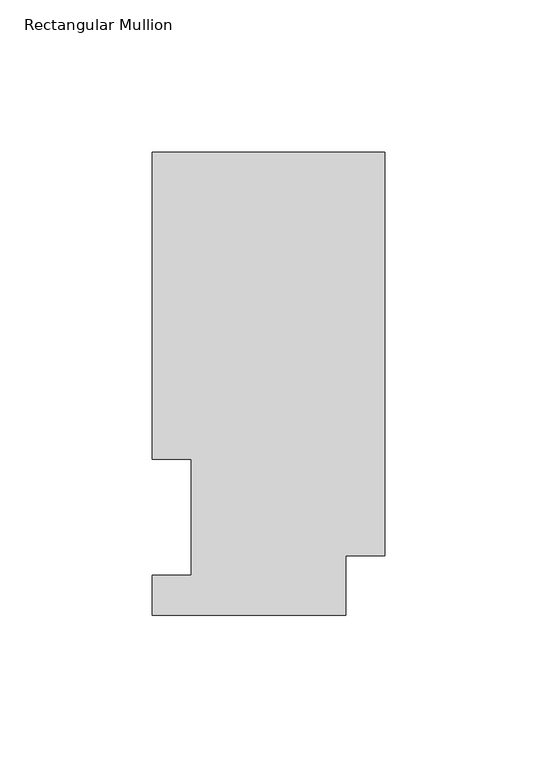
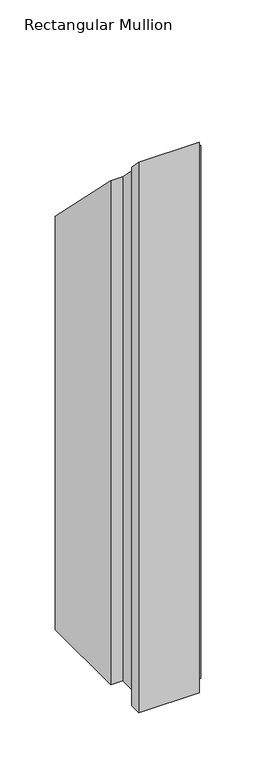
"""IFC4 building model written with IfcOpenShell, lengths in millimetres: member geometry, Rectangular Mullion."""

from ifc_helpers import new_model, si_unit, origin, place, context, project, spatial, faceted_brep, source, transform, mapped, element, save


def rectangular_mullion_6a8e1ccb(model_context):
    return source(origin(), model_context, "Body", "Brep", [
        faceted_brep([(-76.2000004, 151.9054938, -609.56825), (0.0, 151.9054938, -609.56825), (0.0, 19.5460937, -609.56825), (-12.7000004, 19.5460937, -609.56825), (-12.7000004, 0.0134937, -609.56825), (-76.1943324, 0.0134937, -609.56825), (-76.1943324, 13.1960937, -609.56825), (-63.4943324, 13.1960937, -609.56825), (-63.4943324, 51.2960937, -609.56825), (-76.2000004, 51.2960938, -609.56825), (-76.2000004, 51.2960938, -51.2960937), (-76.2000004, 151.9054938, -151.9054938), (-63.4943324, 51.2960937, -51.2960937), (-63.4943324, 13.1960937, -13.1960937), (-76.1943324, 13.1960937, -13.1960937), (-76.1943324, 0.0134937, -0.0134937), (-12.7000004, 0.0134937, -0.0134937), (-12.7000004, 19.5460937, -19.5460937), (0.0, 19.5460937, -19.5460937), (0.0, 151.9054938, -151.9054938)], [[[0, 1, 2, 3, 4, 5, 6, 7, 8, 9]], [[10, 11, 0, 9]], [[12, 10, 9, 8]], [[13, 12, 8, 7]], [[14, 13, 7, 6]], [[15, 14, 6, 5]], [[16, 15, 5, 4]], [[17, 16, 4, 3]], [[18, 17, 3, 2]], [[19, 18, 2, 1]], [[11, 19, 1, 0]], [[11, 10, 12, 13, 14, 15, 16, 17, 18, 19]]]),
    ])


if __name__ == "__main__":
    model = new_model("IFC4")
    model_context = context("Model", 3, world=origin())
    ifc_project = project(units=[si_unit("LENGTHUNIT", "METRE", prefix="MILLI")], contexts=[model_context])
    site = spatial("IfcSite", under=ifc_project)
    building = spatial("IfcBuilding", under=site)
    placement = place(None, origin())
    rectangular_mullion_shape = rectangular_mullion_6a8e1ccb(model_context)
    element("IfcMember", 1, ObjectType="Rectangular Mullion", at=placement, inside=building, context=model_context, shape_type="MappedRepresentation", body=[
        mapped(rectangular_mullion_shape, transform((0.0, 0.0, 0.0), x_axis=(1.0, 0.0, 0.0), y_axis=(0.0, 1.0, 0.0), z_axis=(0.0, 0.0, 1.0))),
    ])
    save(model, "model.ifc")
